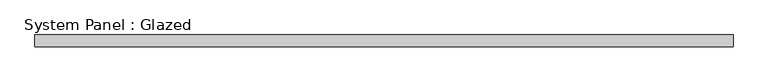
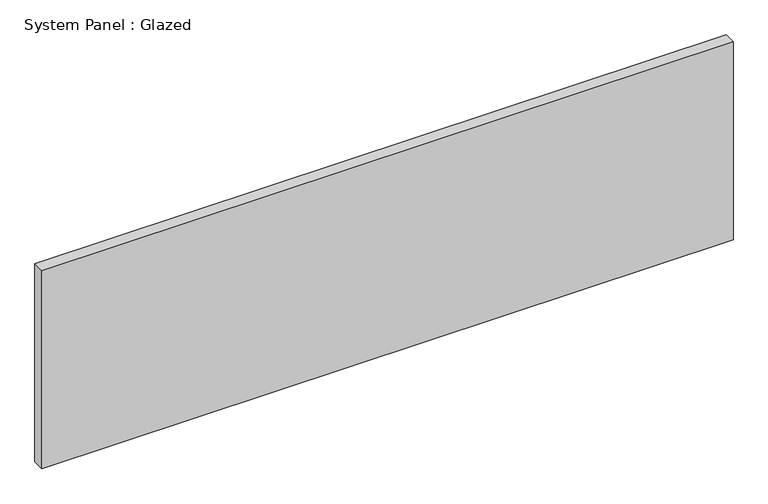
"""IFC4 building model written with IfcOpenShell, lengths in millimetres: plate geometry, System Panel : Glazed."""

from ifc_helpers import new_model, si_unit, origin, origin_with_axes, place, context, project, spatial, polyline, outline, extrude, source, transform, mapped, element, save


def system_panel_glazed_249dd2c7(model_context):
    return source(origin(), model_context, "Body", "SweptSolid", [
        extrude(outline(polyline([(733.425, -12.7), (-733.425, -12.7), (-733.425, 12.7), (733.425, 12.7), (733.425, -12.7)])), origin_with_axes(), (0.0, 0.0, 1.0), 444.5),
    ])


if __name__ == "__main__":
    model = new_model("IFC4")
    model_context = context("Model", 3, world=origin())
    ifc_project = project(units=[si_unit("LENGTHUNIT", "METRE", prefix="MILLI")], contexts=[model_context])
    site = spatial("IfcSite", under=ifc_project)
    building = spatial("IfcBuilding", under=site)
    placement = place(None, origin())
    system_panel_glazed_shape = system_panel_glazed_249dd2c7(model_context)
    element("IfcPlate", 1, ObjectType="System Panel : Glazed", at=placement, inside=building, context=model_context, shape_type="MappedRepresentation", body=[
        mapped(system_panel_glazed_shape, transform((0.0, 0.0, 0.0), x_axis=(1.0, 0.0, 0.0), y_axis=(0.0, 1.0, 0.0), z_axis=(0.0, 0.0, 1.0))),
    ])
    save(model, "model.ifc")
